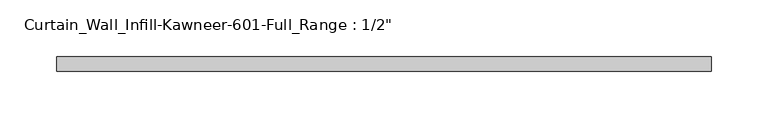
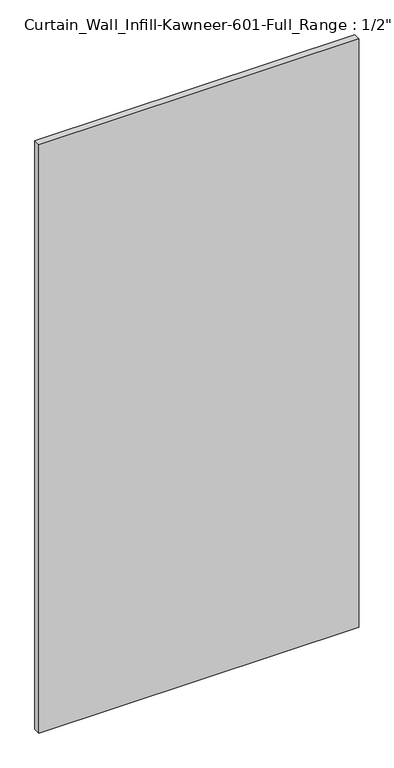
"""IFC4 building model written with IfcOpenShell, lengths in millimetres: plate geometry."""

from ifc_helpers import new_model, si_unit, origin, origin_with_axes, place, context, project, spatial, polyline, outline, extrude, source, transform, mapped, element, save


def plate_b5357401(model_context):
    return source(origin(), model_context, "Body", "SweptSolid", [
        extrude(outline(polyline([(-288.925, 11.1125), (288.925, 11.1125), (288.925, -1.5875), (-288.925, -1.5875), (-288.925, 11.1125)])), origin_with_axes(), (0.0, 0.0, 1.0), 1123.95),
    ])


if __name__ == "__main__":
    model = new_model("IFC4")
    model_context = context("Model", 3, world=origin())
    ifc_project = project(units=[si_unit("LENGTHUNIT", "METRE", prefix="MILLI")], contexts=[model_context])
    site = spatial("IfcSite", under=ifc_project)
    building = spatial("IfcBuilding", under=site)
    placement = place(None, origin())
    plate_shape = plate_b5357401(model_context)
    element("IfcPlate", 1, ObjectType="Curtain_Wall_Infill-Kawneer-601-Full_Range : 1/2\"", at=placement, inside=building, context=model_context, shape_type="MappedRepresentation", body=[
        mapped(plate_shape, transform((0.0, 0.0, 0.0), x_axis=(1.0, 0.0, 0.0), y_axis=(0.0, 1.0, 0.0), z_axis=(0.0, 0.0, 1.0))),
    ])
    save(model, "model.ifc")
